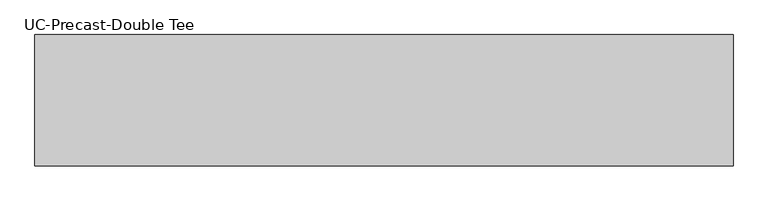
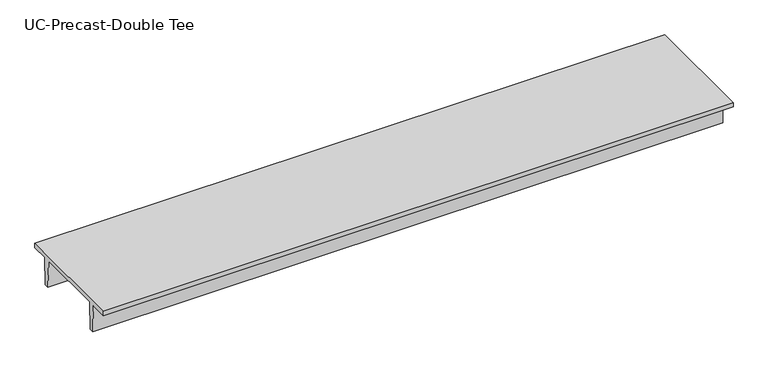
"""IFC4 building model written with IfcOpenShell, lengths in millimetres: beam geometry, UC-Precast-Double Tee."""

from ifc_helpers import new_model, si_unit, frame, origin, place, context, project, spatial, polyline, outline, extrude, source, transform, mapped, element, save


def uc_precast_double_tee_83189cec(model_context):
    return source(origin(), model_context, "Body", "SweptSolid", [
        extrude(outline(polyline([(1397.0, 381.0), (1397.0, 279.4), (990.6, 279.4), (965.2, -381.0), (863.6, -381.0), (838.2, 279.4), (-838.2, 279.4), (-863.6, -381.0), (-965.2, -381.0), (-990.6, 279.4), (-1397.0, 279.4), (-1397.0, 381.0), (1397.0, 381.0)])), frame((-7467.6, 0.0, 0.0), z_axis=(1.0, 0.0, 0.0), x_axis=(0.0, 1.0, 0.0)), (0.0, 0.0, 1.0), 14842.5657187),
    ])


if __name__ == "__main__":
    model = new_model("IFC4")
    model_context = context("Model", 3, world=origin())
    ifc_project = project(units=[si_unit("LENGTHUNIT", "METRE", prefix="MILLI")], contexts=[model_context])
    site = spatial("IfcSite", under=ifc_project)
    building = spatial("IfcBuilding", under=site)
    placement = place(None, origin())
    uc_precast_double_tee_shape = uc_precast_double_tee_83189cec(model_context)
    element("IfcBeam", 1, ObjectType="UC-Precast-Double Tee", at=placement, inside=building, context=model_context, shape_type="MappedRepresentation", body=[
        mapped(uc_precast_double_tee_shape, transform((0.0, 0.0, 0.0), x_axis=(1.0, 0.0, 0.0), y_axis=(0.0, 1.0, 0.0), z_axis=(0.0, 0.0, 1.0))),
    ])
    save(model, "model.ifc")
